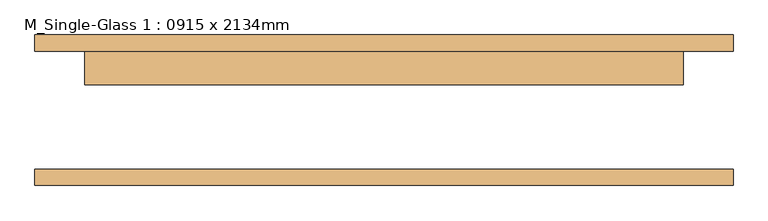
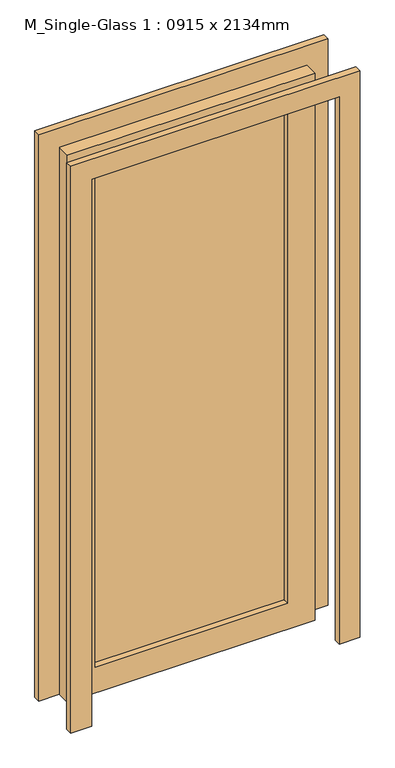
"""IFC4 building model written with IfcOpenShell, lengths in millimetres: door geometry, M_Single-Glass 1 : 0915 x 2134mm."""

from ifc_helpers import new_model, si_unit, frame, origin, place, context, project, spatial, polyline, outline, extrude, source, transform, mapped, element, save


def m_single_glass_1_0915_x_2134mm_44d54990(model_context):
    return source(origin(), model_context, "Body", "SweptSolid", [
        extrude(outline(polyline([(2134.0, 457.5), (0.0, 457.5), (0.0, 533.5), (2210.0, 533.5), (2210.0, -533.5), (0.0, -533.5), (0.0, -457.5), (2134.0, -457.5), (2134.0, 457.5)])), frame((0.0, -115.0, 0.0), z_axis=(0.0, 1.0, 0.0), x_axis=(0.0, 0.0, 1.0)), (0.0, 0.0, 1.0), 25.0),
        extrude(outline(polyline([(2134.0, 457.5), (0.0, 457.5), (0.0, 533.5), (2210.0, 533.5), (2210.0, -533.5), (0.0, -533.5), (0.0, -457.5), (2134.0, -457.5), (2134.0, 457.5)])), frame((0.0, 90.0, 0.0), z_axis=(0.0, 1.0, 0.0), x_axis=(0.0, 0.0, 1.0)), (0.0, 0.0, 1.0), 25.0),
        extrude(outline(polyline([(355.5, 61.425), (-355.5, 61.425), (-355.5, 67.775), (355.5, 67.775), (355.5, 61.425)])), frame((0.0, 0.0, 102.0), z_axis=(0.0, 0.0, 1.0), x_axis=(1.0, 0.0, 0.0)), (0.0, 0.0, 1.0), 1930.0),
        extrude(outline(polyline([(2134.0, 457.5), (2134.0, -457.5), (0.0, -457.5), (0.0, 457.5), (2134.0, 457.5)]), holes=[polyline([(2032.0, -355.5), (2032.0, 355.5), (102.0, 355.5), (102.0, -355.5), (2032.0, -355.5)])]), frame((0.0, 39.0, 0.0), z_axis=(0.0, 1.0, 0.0), x_axis=(0.0, 0.0, 1.0)), (0.0, 0.0, 1.0), 51.0),
    ])


if __name__ == "__main__":
    model = new_model("IFC4")
    model_context = context("Model", 3, world=origin())
    ifc_project = project(units=[si_unit("LENGTHUNIT", "METRE", prefix="MILLI")], contexts=[model_context])
    site = spatial("IfcSite", under=ifc_project)
    building = spatial("IfcBuilding", under=site)
    placement = place(None, origin())
    m_single_glass_1_0915_x_2134mm_shape = m_single_glass_1_0915_x_2134mm_44d54990(model_context)
    element("IfcDoor", 1, ObjectType="M_Single-Glass 1 : 0915 x 2134mm", at=placement, inside=building, context=model_context, shape_type="MappedRepresentation", body=[
        mapped(m_single_glass_1_0915_x_2134mm_shape, transform((0.0, 0.0, 0.0), x_axis=(1.0, 0.0, 0.0), y_axis=(0.0, 1.0, 0.0), z_axis=(0.0, 0.0, 1.0))),
    ])
    save(model, "model.ifc")
